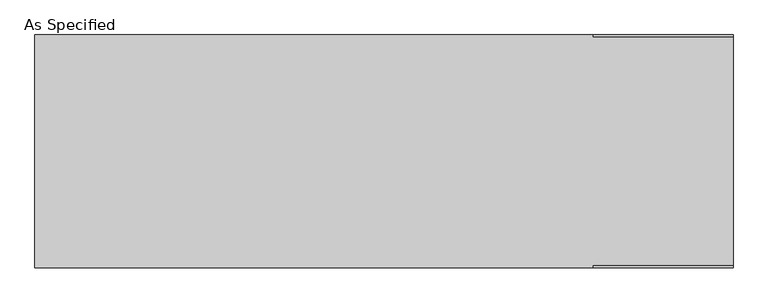
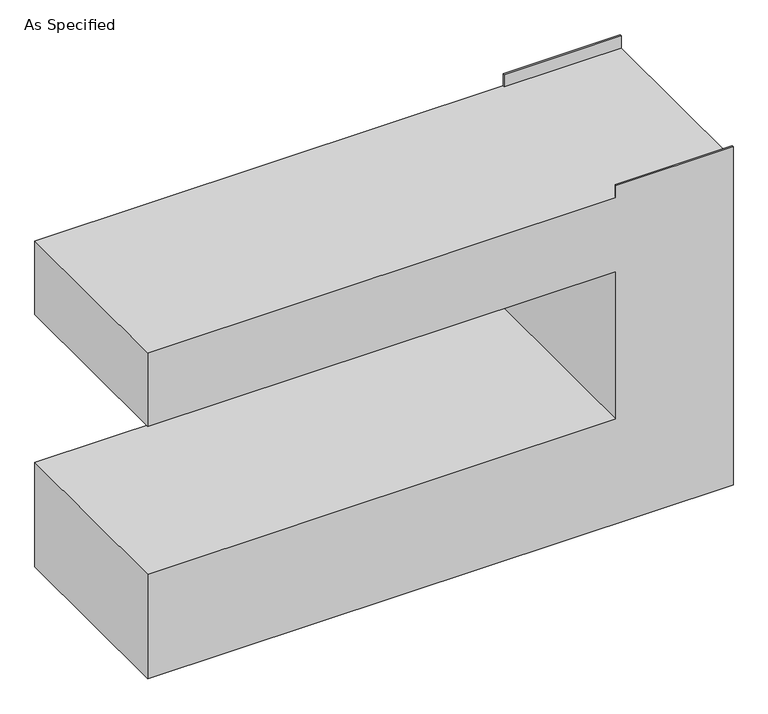
"""IFC4 building model written with IfcOpenShell, lengths in millimetres: proxy geometry, As Specified."""

from ifc_helpers import new_model, si_unit, origin, place, context, project, spatial, faceted_brep, source, transform, mapped, element, save


def as_specified_a54ac95f(model_context):
    return source(origin(), model_context, "Body", "Brep", [
        faceted_brep([(-1143.0, 381.0, 1346.2), (-1143.0, -381.0, 1346.2), (685.8, -381.0, 1346.2), (685.8, -374.65, 1346.2), (1143.0, -374.65, 1346.2), (1143.0, 374.65, 1346.2), (685.8, 374.65, 1346.2), (685.8, 381.0, 1346.2), (1143.0, 381.0, 0.0), (1143.0, -381.0, 0.0), (-1143.0, -381.0, 0.0), (-1143.0, 381.0, 0.0), (-1143.0, 381.0, 431.8), (685.8, 381.0, 431.8), (685.8, 381.0, 1041.4), (-1143.0, 381.0, 1041.4), (685.8, 381.0, 1397.0), (1143.0, 381.0, 1397.0), (-1143.0, -381.0, 1041.4), (-1143.0, -381.0, 431.8), (1143.0, -381.0, 1397.0), (685.8, -381.0, 1397.0), (685.8, -381.0, 1041.4), (685.8, -381.0, 431.8), (1143.0, 374.65, 1397.0), (1143.0, -374.65, 1397.0), (685.8, -374.65, 1397.0), (685.8, 374.65, 1397.0)], [[[0, 1, 2, 3, 4, 5, 6, 7]], [[8, 9, 10, 11]], [[8, 11, 12, 13, 14, 15, 0, 7, 16, 17]], [[1, 0, 15, 18]], [[11, 10, 19, 12]], [[10, 9, 20, 21, 2, 1, 18, 22, 23, 19]], [[9, 8, 17, 24, 5, 4, 25, 20]], [[23, 13, 12, 19]], [[13, 23, 22, 14]], [[14, 22, 18, 15]], [[21, 26, 3, 2]], [[26, 21, 20, 25]], [[3, 26, 25, 4]], [[16, 7, 6, 27]], [[16, 27, 24, 17]], [[27, 6, 5, 24]]]),
    ])


if __name__ == "__main__":
    model = new_model("IFC4")
    model_context = context("Model", 3, world=origin())
    ifc_project = project(units=[si_unit("LENGTHUNIT", "METRE", prefix="MILLI")], contexts=[model_context])
    site = spatial("IfcSite", under=ifc_project)
    building = spatial("IfcBuilding", under=site)
    placement = place(None, origin())
    as_specified_shape = as_specified_a54ac95f(model_context)
    element("IfcBuildingElementProxy", 1, Name="As Specified", ObjectType="As Specified", at=placement, inside=building, context=model_context, shape_type="MappedRepresentation", body=[
        mapped(as_specified_shape, transform((0.0, 0.0, 0.0), x_axis=(1.0, 0.0, 0.0), y_axis=(0.0, 1.0, 0.0), z_axis=(0.0, 0.0, 1.0))),
    ])
    save(model, "model.ifc")
